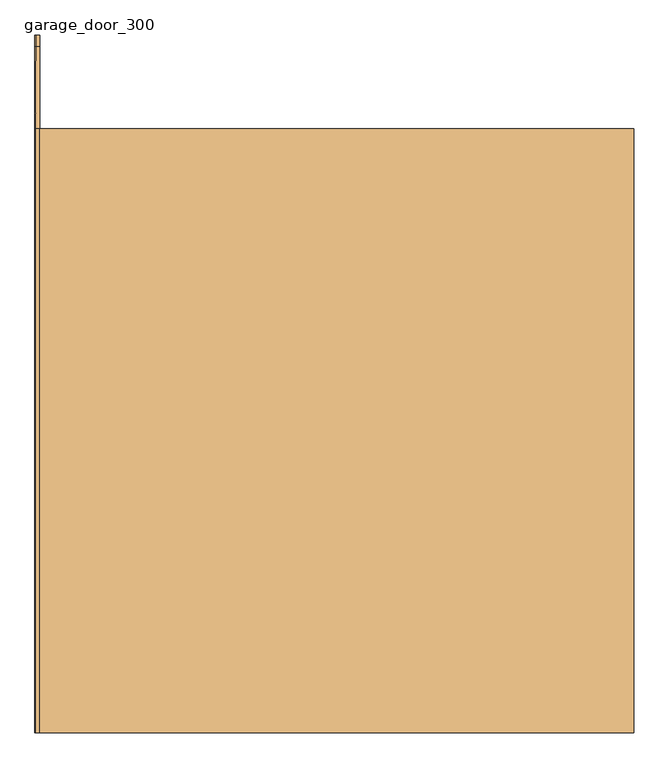
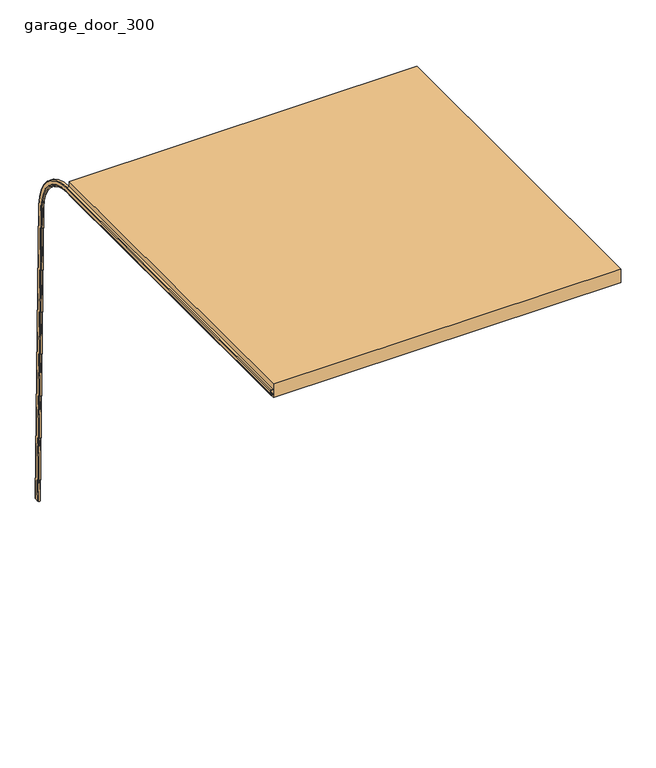
"""IFC4 building model written with IfcOpenShell, lengths in millimetres: door geometry, garage_door_300."""

from ifc_helpers import new_model, si_unit, point, frame, origin, place, context, project, spatial, polyline, circle_curve, ellipse_curve, trimmed, outline, extrude, source, transform, mapped, element, save
from ifc_brep_helpers import plane_surface, cylinder_surface, revolved_surface, advanced_brep


def garage_door_300_832a07c8(model_context):
    return source(origin(), model_context, "Body", "SolidModel", [
        advanced_brep(
        [(-1550.8, -3912.8666667, 3227.9304625), (-1550.8, -3912.8666667, 3229.4187438), (-1571.7804, -3912.8666667, 3229.4187438), (-1575.692, -3912.8666667, 3225.5071438), (-1575.692, -3912.8666667, 3194.5162317), (-1575.2943614, -3912.8666667, 3192.624436), (-1570.8346867, -3912.8666667, 3182.4845077), (-1556.9347863, -3912.8666667, 3181.5055498), (-1552.4256, -3912.8666667, 3188.7787438), (-1553.6905094, -3912.8666667, 3189.5629539), (-1558.1996956, -3912.8666667, 3182.2897599), (-1569.4723467, -3912.8666667, 3183.0836829), (-1573.9320214, -3912.8666667, 3193.2236111), (-1574.2037188, -3912.8666667, 3194.5162317), (-1574.2037188, -3912.8666667, 3225.5071438), (-1571.7804, -3912.8666667, 3227.9304625), (-1550.8, -760.4666667, 3227.9304625), (-1550.8, -329.4297366, 2805.7800156), (-1550.8, -270.9972219, 1.0441673), (-1550.8, -269.5092635, 1.0751667), (-1550.8, -327.9417783, 2805.811015), (-1550.8, -760.4666667, 3229.4187438), (-1571.7804, -760.4666667, 3229.4187438), (-1575.692, -760.4666667, 3225.5071438), (-1575.692, -331.8525296, 2805.7295403), (-1575.692, -273.4200149, 0.993692), (-1575.692, -304.4042036, 0.3481824), (-1575.692, -362.8367184, 2805.0840307), (-1575.692, -760.4666667, 3194.5162317), (-1575.2943614, -760.4666667, 3192.624436), (-1570.8346867, -760.4666667, 3182.4845077), (-1556.9347863, -760.4666667, 3181.5055498), (-1552.4256, -760.4666667, 3188.7787438), (-1553.6905094, -760.4666667, 3189.5629539), (-1558.1996956, -760.4666667, 3182.2897599), (-1569.4723467, -760.4666667, 3183.0836829), (-1573.9320214, -760.4666667, 3193.2236111), (-1574.2037188, -760.4666667, 3194.5162317), (-1574.2037188, -362.8367184, 2805.0840307), (-1574.2037188, -304.4042036, 0.3481824), (-1574.2037188, -273.4200149, 0.993692), (-1574.2037188, -331.8525296, 2805.7295403), (-1574.2037188, -760.4666667, 3225.5071438), (-1571.7804, -760.4666667, 3227.9304625), (-1571.7804, -327.9417783, 2805.811015), (-1575.2943614, -364.7281037, 2805.0446265), (-1570.8346867, -374.8658321, 2804.8334219), (-1556.9347863, -375.8445776, 2804.8130312), (-1552.4256, -368.5729615, 2804.9645246), (-1553.6905094, -367.7889216, 2804.9808589), (-1558.1996956, -375.0605377, 2804.8293655), (-1569.4723467, -374.2667869, 2804.8459021), (-1573.9320214, -364.1290585, 2805.0571067), (-1571.7804, -329.4297366, 2805.7800156), (-1571.7804, -270.9972219, 1.0441673), (-1573.9320214, -305.6965437, 0.3212584), (-1569.4723467, -315.8342721, 0.1100538), (-1558.1996956, -316.6280229, 0.0935172), (-1553.6905094, -309.3564068, 0.2450105), (-1552.4256, -310.1404467, 0.2286762), (-1556.9347863, -317.4120628, 0.0771829), (-1570.8346867, -316.4333173, 0.0975736), (-1575.2943614, -306.2955889, 0.3087782), (-1571.7804, -269.5092635, 1.0751667)],
        [
            (0, 1),
            (1, 2),
            (2, 3, circle_curve(frame((-1571.7804, -3912.8666667, 3225.5071438), z_axis=(0.0, -1.0, 0.0), x_axis=(0.0, 0.0, 1.0)), 3.9116)),
            (3, 4),
            (4, 5, circle_curve(frame((-1570.993, -3912.8666667, 3194.5162317), z_axis=(0.0, -1.0, 0.0), x_axis=(0.0, 0.0, 1.0)), 4.699)),
            (5, 6),
            (6, 7, circle_curve(frame((-1563.627, -3912.8666667, 3185.6545438), z_axis=(0.0, -1.0, 0.0), x_axis=(0.0, 0.0, 1.0)), 7.874)),
            (7, 8),
            (8, 9),
            (9, 10),
            (10, 11, circle_curve(frame((-1563.627, -3912.8666667, 3185.6545438), z_axis=(0.0, 1.0, 0.0), x_axis=(0.0, 0.0, 1.0)), 6.3857187)),
            (11, 12),
            (12, 13, circle_curve(frame((-1570.993, -3912.8666667, 3194.5162317), z_axis=(0.0, 1.0, 0.0), x_axis=(0.0, 0.0, 1.0)), 3.2107187)),
            (13, 14),
            (14, 15, circle_curve(frame((-1571.7804, -3912.8666667, 3225.5071438), z_axis=(0.0, 1.0, 0.0), x_axis=(0.0, 0.0, 1.0)), 2.4233187)),
            (15, 0),
            (0, 16),
            (16, 17, circle_curve(frame((-1550.8, -760.4666667, 2796.8), z_axis=(-1.0, 0.0, 0.0), x_axis=(0.0, 0.0, 1.0)), 431.1304625)),
            (17, 18),
            (18, 19),
            (19, 20),
            (20, 21, circle_curve(frame((-1550.8, -760.4666667, 2796.8), z_axis=(1.0, 0.0, 0.0), x_axis=(0.0, 0.0, 1.0)), 432.6187438)),
            (21, 1),
            (21, 22),
            (22, 2),
            (22, 23, circle_curve(frame((-1571.7804, -760.4666667, 3225.5071438), z_axis=(0.0, -1.0, 0.0), x_axis=(0.0, 0.0, 1.0)), 3.9116)),
            (23, 3),
            (23, 24, circle_curve(frame((-1575.692, -760.4666667, 2796.8), z_axis=(-1.0, 0.0, 0.0), x_axis=(0.0, 0.0, 1.0)), 428.7071438)),
            (24, 25),
            (25, 26),
            (26, 27),
            (27, 28, circle_curve(frame((-1575.692, -760.4666667, 2796.8), z_axis=(1.0, 0.0, 0.0), x_axis=(0.0, 0.0, 1.0)), 397.7162317)),
            (28, 4),
            (28, 29, circle_curve(frame((-1570.993, -760.4666667, 3194.5162317), z_axis=(0.0, -1.0, 0.0), x_axis=(0.0, 0.0, 1.0)), 4.699)),
            (29, 5),
            (29, 30),
            (30, 6),
            (30, 31, circle_curve(frame((-1563.627, -760.4666667, 3185.6545438), z_axis=(0.0, -1.0, 0.0), x_axis=(0.0, 0.0, 1.0)), 7.874)),
            (31, 7),
            (31, 32),
            (32, 8),
            (32, 33),
            (33, 9),
            (33, 34),
            (34, 10),
            (34, 35, circle_curve(frame((-1563.627, -760.4666667, 3185.6545438), z_axis=(0.0, 1.0, 0.0), x_axis=(0.0, 0.0, 1.0)), 6.3857187)),
            (35, 11),
            (35, 36),
            (36, 12),
            (36, 37, circle_curve(frame((-1570.993, -760.4666667, 3194.5162317), z_axis=(0.0, 1.0, 0.0), x_axis=(0.0, 0.0, 1.0)), 3.2107188)),
            (37, 13),
            (37, 38, circle_curve(frame((-1574.2037188, -760.4666667, 2796.8), z_axis=(-1.0, 0.0, 0.0), x_axis=(0.0, 0.0, 1.0)), 397.7162317)),
            (38, 39),
            (39, 40),
            (40, 41),
            (41, 42, circle_curve(frame((-1574.2037188, -760.4666667, 2796.8), z_axis=(1.0, 0.0, 0.0), x_axis=(0.0, 0.0, 1.0)), 428.7071438)),
            (42, 14),
            (42, 43, circle_curve(frame((-1571.7804, -760.4666667, 3225.5071438), z_axis=(0.0, 1.0, 0.0), x_axis=(0.0, 0.0, 1.0)), 2.4233187)),
            (43, 15),
            (43, 16),
            (44, 22, circle_curve(frame((-1571.7804, -760.4666667, 2796.8), z_axis=(1.0, 0.0, 0.0), x_axis=(0.0, 0.0, 1.0)), 432.6187438)),
            (20, 44),
            (44, 24, circle_curve(frame((-1571.7804, -331.8525296, 2805.7295403), z_axis=(0.0, -0.020828998228129707, 0.9997830528833807), x_axis=(0.0, 0.9997830528833807, 0.020828998228129707)), 3.9116)),
            (45, 29, circle_curve(frame((-1575.2943614, -760.4666667, 2796.8), z_axis=(1.0, 0.0, 0.0), x_axis=(0.0, 0.0, 1.0)), 395.824436)),
            (27, 45, circle_curve(frame((-1570.993, -362.8367184, 2805.0840307), z_axis=(0.0, -0.020828998228129267, 0.9997830528833807), x_axis=(0.0, 0.9997830528833807, 0.020828998228129267)), 4.699)),
            (46, 30, circle_curve(frame((-1570.8346867, -760.4666667, 2796.8), z_axis=(1.0, 0.0, 0.0), x_axis=(0.0, 0.0, 1.0)), 385.6845077)),
            (45, 46),
            (47, 31, circle_curve(frame((-1556.9347863, -760.4666667, 2796.8), z_axis=(1.0, 0.0, 0.0), x_axis=(0.0, 0.0, 1.0)), 384.7055498)),
            (46, 47, circle_curve(frame((-1563.627, -371.6964837, 2804.8994506), z_axis=(0.0, -0.02082899822812993, 0.9997830528833807), x_axis=(0.0, 0.9997830528833807, 0.02082899822812993)), 7.874)),
            (48, 32, circle_curve(frame((-1552.4256, -760.4666667, 2796.8), z_axis=(1.0, 0.0, 0.0), x_axis=(0.0, 0.0, 1.0)), 391.9787438)),
            (47, 48),
            (49, 33, circle_curve(frame((-1553.6905094, -760.4666667, 2796.8), z_axis=(1.0, 0.0, 0.0), x_axis=(0.0, 0.0, 1.0)), 392.7629539)),
            (48, 49),
            (50, 34, circle_curve(frame((-1558.1996956, -760.4666667, 2796.8), z_axis=(1.0, 0.0, 0.0), x_axis=(0.0, 0.0, 1.0)), 385.4897599)),
            (49, 50),
            (51, 35, circle_curve(frame((-1569.4723467, -760.4666667, 2796.8), z_axis=(1.0, 0.0, 0.0), x_axis=(0.0, 0.0, 1.0)), 386.2836829)),
            (50, 51, circle_curve(frame((-1563.627, -371.6964837, 2804.8994506), z_axis=(0.0, 0.020828998228128823, -0.9997830528833807), x_axis=(0.0, 0.9997830528833807, 0.020828998228128823)), 6.3857188)),
            (52, 36, circle_curve(frame((-1573.9320214, -760.4666667, 2796.8), z_axis=(1.0, 0.0, 0.0), x_axis=(0.0, 0.0, 1.0)), 396.4236111)),
            (51, 52),
            (52, 38, circle_curve(frame((-1570.993, -362.8367184, 2805.0840307), z_axis=(0.0, 0.02082899822812993, -0.9997830528833807), x_axis=(0.0, 0.9997830528833807, 0.02082899822812993)), 3.2107187)),
            (53, 43, circle_curve(frame((-1571.7804, -760.4666667, 2796.8), z_axis=(1.0, 0.0, 0.0), x_axis=(0.0, 0.0, 1.0)), 431.1304625)),
            (41, 53, circle_curve(frame((-1571.7804, -331.8525296, 2805.7295403), z_axis=(0.0, 0.020828998228128823, -0.9997830528833807), x_axis=(0.0, 0.9997830528833807, 0.020828998228128823)), 2.4233188)),
            (53, 17),
            (18, 54),
            (54, 40, circle_curve(frame((-1571.7804, -273.4200149, 0.993692), z_axis=(0.0, -0.020828998228126682, 0.9997830528833807), x_axis=(0.0, 0.9997830528833807, 0.020828998228126682)), 2.4233187)),
            (39, 55, circle_curve(frame((-1570.993, -304.4042036, 0.3481824), z_axis=(0.0, -0.020828998228126682, 0.9997830528833807), x_axis=(0.0, 0.9997830528833807, 0.020828998228126682)), 3.2107187)),
            (55, 56),
            (56, 57, circle_curve(frame((-1563.627, -313.263969, 0.1636023), z_axis=(0.0, -0.020828998228126682, 0.9997830528833807), x_axis=(0.0, 0.9997830528833807, 0.020828998228126682)), 6.3857187)),
            (57, 58),
            (58, 59),
            (59, 60),
            (60, 61, circle_curve(frame((-1563.627, -313.263969, 0.1636023), z_axis=(0.0, 0.020828998228126682, -0.9997830528833807), x_axis=(0.0, 0.9997830528833807, 0.020828998228126682)), 7.874)),
            (61, 62),
            (62, 26, circle_curve(frame((-1570.993, -304.4042036, 0.3481824), z_axis=(0.0, 0.020828998228126682, -0.9997830528833807), x_axis=(0.0, 0.9997830528833807, 0.020828998228126682)), 4.699)),
            (25, 63, circle_curve(frame((-1571.7804, -273.4200149, 0.993692), z_axis=(0.0, 0.020828998228126682, -0.9997830528833807), x_axis=(0.0, 0.9997830528833807, 0.020828998228126682)), 3.9116)),
            (63, 19),
            (63, 44),
            (62, 45),
            (61, 46),
            (60, 47),
            (59, 48),
            (58, 49),
            (57, 50),
            (56, 51),
            (55, 52),
            (54, 53),
        ],
        [
            plane_surface(frame((0.0, -3912.8666667, 3177.8), z_axis=(0.0, -1.0, 0.0), x_axis=(-1.0, 0.0, 0.0))),
            plane_surface(frame((-1550.8, -3912.8666667, 3227.9304625), z_axis=(1.0, 0.0, 0.0), x_axis=(0.0, 1.0, 0.0))),
            plane_surface(frame((-1550.8, -3912.8666667, 3229.4187438), z_axis=(0.0, 0.0, 1.0), x_axis=(0.0, 1.0, 0.0))),
            cylinder_surface(frame((-1571.7804, -3912.8666667, 3225.5071438), z_axis=(0.0, -1.0, 0.0), x_axis=(0.0, 0.0, 1.0)), 3.9116),
            plane_surface(frame((-1575.692, -3912.8666667, 3225.5071438), z_axis=(-1.0, 0.0, 0.0), x_axis=(0.0, 1.0, 0.0))),
            cylinder_surface(frame((-1570.993, -3912.8666667, 3194.5162317), z_axis=(0.0, -1.0, 0.0), x_axis=(0.0, 0.0, 1.0)), 4.699),
            plane_surface(frame((-1575.2943614, -3912.8666667, 3192.624436), z_axis=(-0.9153780402517685, 0.0, -0.4025953842567396), x_axis=(0.0, 1.0, 0.0))),
            cylinder_surface(frame((-1563.627, -3912.8666667, 3185.6545438), z_axis=(0.0, -1.0, 0.0), x_axis=(0.0, 0.0, 1.0)), 7.874),
            plane_surface(frame((-1556.9347863, -3912.8666667, 3181.5055498), z_axis=(0.8499128454701323, 0.0, -0.5269232914807079), x_axis=(0.0, 1.0, 0.0))),
            plane_surface(frame((-1552.4256, -3912.8666667, 3188.7787438), z_axis=(0.5269232914808464, 0.0, 0.8499128454700464), x_axis=(0.0, 1.0, 0.0))),
            plane_surface(frame((-1553.6905094, -3912.8666667, 3189.5629539), z_axis=(-0.8499128454701323, 0.0, 0.5269232914807079), x_axis=(0.0, 1.0, 0.0))),
            revolved_surface(polyline([(-1563.627, -760.4666667000001, 3192.0402626), (-1563.627, -3912.8666667, 3192.0402626)]), (-1563.627, -3912.8666667, 3185.6545438), (0.0, 1.0, 0.0)),
            plane_surface(frame((-1569.4723467, -3912.8666667, 3183.0836829), z_axis=(0.9153780402517612, 0.0, 0.4025953842567562), x_axis=(0.0, 1.0, 0.0))),
            revolved_surface(polyline([(-1570.993, -760.4666667000001, 3197.7269504), (-1570.993, -3912.8666667, 3197.7269504)]), (-1570.993, -3912.8666667, 3194.5162317), (0.0, 1.0, 0.0)),
            plane_surface(frame((-1574.2037188, -3912.8666667, 3194.5162317), z_axis=(1.0, 0.0, 0.0), x_axis=(0.0, 1.0, 0.0))),
            revolved_surface(polyline([(-1571.7804, -760.4666667000001, 3227.9304626), (-1571.7804, -3912.8666667, 3227.9304626)]), (-1571.7804, -3912.8666667, 3225.5071438), (0.0, 1.0, 0.0)),
            plane_surface(frame((-1571.7804, -3912.8666667, 3227.9304625), z_axis=(0.0, 0.0, -1.0), x_axis=(0.0, 1.0, 0.0))),
            cylinder_surface(frame((0.0, -760.4666667, 2796.8), z_axis=(-1.0, 0.0, 0.0), x_axis=(0.0, 0.0, 1.0)), 432.6187438),
            revolved_surface(trimmed(ellipse_curve(frame((-1571.7804, -760.4666667, 3225.5071438), z_axis=(0.0, -1.0, 0.0), x_axis=(0.0, 0.0, 1.0)), 3.9116, 3.9116), [point((-1571.7804, -760.4666667, 3229.4187438))], [point((-1575.692, -760.4666667, 3225.5071438))], True, "CARTESIAN"), (0.0, -760.4666667, 2796.8), (-1.0, 0.0, 0.0)),
            revolved_surface(trimmed(ellipse_curve(frame((-1570.993, -760.4666667, 3194.5162317), z_axis=(0.0, -1.0, 0.0), x_axis=(0.0, 0.0, 1.0)), 4.699, 4.699), [point((-1575.692, -760.4666667, 3194.5162317))], [point((-1575.2943614, -760.4666667, 3192.624436))], True, "CARTESIAN"), (0.0, -760.4666667, 2796.8), (-1.0, 0.0, 0.0)),
            revolved_surface(polyline([(-1575.2943614, -760.4666667, 3192.624436), (-1570.8346867, -760.4666667, 3182.4845077)]), (0.0, -760.4666667, 2796.8), (-1.0, 0.0, 0.0)),
            revolved_surface(trimmed(ellipse_curve(frame((-1563.627, -760.4666667, 3185.6545438), z_axis=(0.0, -1.0, 0.0), x_axis=(0.0, 0.0, 1.0)), 7.874, 7.874), [point((-1570.8346867, -760.4666667, 3182.4845077))], [point((-1556.9347863, -760.4666667, 3181.5055498))], True, "CARTESIAN"), (0.0, -760.4666667, 2796.8), (-1.0, 0.0, 0.0)),
            revolved_surface(polyline([(-1556.9347863, -760.4666667, 3181.5055498), (-1552.4256, -760.4666667, 3188.7787438)]), (0.0, -760.4666667, 2796.8), (-1.0, 0.0, 0.0)),
            revolved_surface(polyline([(-1552.4256, -760.4666667, 3188.7787438), (-1553.6905094, -760.4666667, 3189.5629539)]), (0.0, -760.4666667, 2796.8), (-1.0, 0.0, 0.0)),
            revolved_surface(polyline([(-1553.6905094, -760.4666667, 3189.5629539), (-1558.1996956, -760.4666667, 3182.2897599)]), (0.0, -760.4666667, 2796.8), (-1.0, 0.0, 0.0)),
            revolved_surface(trimmed(ellipse_curve(frame((-1563.627, -760.4666667, 3185.6545438), z_axis=(0.0, 1.0, 0.0), x_axis=(0.0, 0.0, 1.0)), 6.3857188, 6.3857188), [point((-1558.1996956, -760.4666667, 3182.2897599))], [point((-1569.4723467, -760.4666667, 3183.0836829))], True, "CARTESIAN"), (0.0, -760.4666667, 2796.8), (-1.0, 0.0, 0.0)),
            revolved_surface(polyline([(-1569.4723467, -760.4666667, 3183.0836829), (-1573.9320214, -760.4666667, 3193.2236111)]), (0.0, -760.4666667, 2796.8), (-1.0, 0.0, 0.0)),
            revolved_surface(trimmed(ellipse_curve(frame((-1570.993, -760.4666667, 3194.5162317), z_axis=(0.0, 1.0, 0.0), x_axis=(0.0, 0.0, 1.0)), 3.2107187, 3.2107187), [point((-1573.9320214, -760.4666667, 3193.2236111))], [point((-1574.2037188, -760.4666667, 3194.5162317))], True, "CARTESIAN"), (0.0, -760.4666667, 2796.8), (-1.0, 0.0, 0.0)),
            revolved_surface(trimmed(ellipse_curve(frame((-1571.7804, -760.4666667, 3225.5071438), z_axis=(0.0, 1.0, 0.0), x_axis=(0.0, 0.0, 1.0)), 2.4233188, 2.4233188), [point((-1574.2037188, -760.4666667, 3225.5071438))], [point((-1571.7804, -760.4666667, 3227.9304625))], True, "CARTESIAN"), (0.0, -760.4666667, 2796.8), (-1.0, 0.0, 0.0)),
            revolved_surface(polyline([(-1571.7804, -760.4666667, 3227.9304625000004), (-1550.8, -760.4666667, 3227.9304625000004)]), (0.0, -760.4666667, 2796.8), (-1.0, 0.0, 0.0)),
            plane_surface(frame((0.0, -321.1168087, 0.0), z_axis=(0.0, 0.020828998228126647, -0.9997830528833807), x_axis=(-1.0, 0.0, 0.0))),
            plane_surface(frame((-1550.8, -327.9417783, 2805.811015), z_axis=(0.0, 0.9997830528833807, 0.020828998228126692), x_axis=(0.0, 0.020828998228126692, -0.9997830528833807))),
            cylinder_surface(frame((-1571.7804, -331.8525296, 2805.7295403), z_axis=(0.0, -0.020828998228126682, 0.9997830528833807), x_axis=(0.0, 0.9997830528833807, 0.020828998228126682)), 3.9116),
            cylinder_surface(frame((-1570.993, -362.8367184, 2805.0840307), z_axis=(0.0, -0.020828998228126682, 0.9997830528833807), x_axis=(0.0, 0.9997830528833807, 0.020828998228126682)), 4.699),
            plane_surface(frame((-1575.2943614, -364.7281037, 2805.0446265), z_axis=(-0.9153780402517704, -0.40250804234895665, -0.008385658545335488), x_axis=(0.0, 0.020828998228126595, -0.9997830528833807))),
            cylinder_surface(frame((-1563.627, -371.6964837, 2804.8994506), z_axis=(0.0, -0.020828998228126682, 0.9997830528833807), x_axis=(0.0, 0.9997830528833807, 0.020828998228126682)), 7.874),
            plane_surface(frame((-1556.9347863, -375.8445776, 2804.8130312), z_axis=(0.8499128454701298, -0.5268089769919455, -0.01097528430461042), x_axis=(0.0, 0.02082899822812667, -0.9997830528833807))),
            plane_surface(frame((-1552.4256, -368.5729615, 2804.9645246), z_axis=(0.5269232914808503, 0.8497284593288416, 0.017702833152357645), x_axis=(0.0, 0.02082899822812667, -0.9997830528833807))),
            plane_surface(frame((-1553.6905094, -367.7889216, 2804.9808589), z_axis=(-0.8499128454701298, 0.5268089769919455, 0.010975284304610432), x_axis=(0.0, 0.020828998228126696, -0.9997830528833807))),
            revolved_surface(polyline([(-1563.627, -306.8796354821951, 0.2966103831590772), (-1563.627, -365.3121502632812, 2805.0324587255705)]), (-1563.627, -371.6964837, 2804.8994506), (0.0, 0.020828998228126682, -0.9997830528833807)),
            plane_surface(frame((-1569.4723467, -374.2667869, 2804.8459021), z_axis=(0.9153780402517631, 0.40250804234897325, 0.008385658545335864), x_axis=(0.0, 0.02082899822812667, -0.9997830528833807))),
            revolved_surface(polyline([(-1570.993, -301.1941814757602, 0.415058444440092), (-1570.993, -359.6266962561642, 2805.1509067541133)]), (-1570.993, -362.8367184, 2805.0840307), (0.0, 0.020828998228126682, -0.9997830528833807)),
            revolved_surface(polyline([(-1571.7804, -270.99722175182586, 1.0441673030868515), (-1571.7804, -329.4297365320263, 2805.780015602991)]), (-1571.7804, -331.8525296, 2805.7295403), (0.0, 0.020828998228126682, -0.9997830528833807)),
            plane_surface(frame((-1571.7804, -329.4297366, 2805.7800156), z_axis=(0.0, -0.9997830528833807, -0.02082899822812667), x_axis=(0.0, 0.02082899822812667, -0.9997830528833807))),
        ],
        [
            (0, [[1, 2, 3, 4, 5, 6, 7, 8, 9, 10, 11, 12, 13, 14, 15, 16]]),
            (1, [[-1, 17, 18, 19, 20, 21, 22, 23]]),
            (2, [[-2, -23, 24, 25]]),
            (3, [[-3, -25, 26, 27]]),
            (4, [[-4, -27, 28, 29, 30, 31, 32, 33]]),
            (5, [[-5, -33, 34, 35]]),
            (6, [[-6, -35, 36, 37]]),
            (7, [[-7, -37, 38, 39]]),
            (8, [[-8, -39, 40, 41]]),
            (9, [[-9, -41, 42, 43]]),
            (10, [[-10, -43, 44, 45]]),
            (11, [[-11, -45, 46, 47]]),
            (12, [[-12, -47, 48, 49]]),
            (13, [[-13, -49, 50, 51]]),
            (14, [[-14, -51, 52, 53, 54, 55, 56, 57]]),
            (15, [[-15, -57, 58, 59]]),
            (16, [[-16, -59, 60, -17]]),
            (17, [[61, -24, -22, 62]]),
            (18, [[-28, -26, -61, 63]]),
            (19, [[64, -34, -32, 65]]),
            (20, [[66, -36, -64, 67]]),
            (21, [[68, -38, -66, 69]]),
            (22, [[70, -40, -68, 71]]),
            (23, [[72, -42, -70, 73]]),
            (24, [[74, -44, -72, 75]]),
            (25, [[76, -46, -74, 77]]),
            (26, [[78, -48, -76, 79]]),
            (27, [[-52, -50, -78, 80]]),
            (28, [[81, -58, -56, 82]]),
            (29, [[-18, -60, -81, 83]]),
            (30, [[84, 85, -54, 86, 87, 88, 89, 90, 91, 92, 93, 94, -30, 95, 96, -20]]),
            (31, [[-62, -21, -96, 97]]),
            (32, [[-63, -97, -95, -29]]),
            (33, [[-65, -31, -94, 98]]),
            (34, [[-67, -98, -93, 99]]),
            (35, [[-69, -99, -92, 100]]),
            (36, [[-71, -100, -91, 101]]),
            (37, [[-73, -101, -90, 102]]),
            (38, [[-75, -102, -89, 103]]),
            (39, [[-77, -103, -88, 104]]),
            (40, [[-79, -104, -87, 105]]),
            (41, [[-80, -105, -86, -53]]),
            (42, [[-82, -55, -85, 106]]),
            (43, [[-83, -106, -84, -19]]),
        ],
    ),
        extrude(outline(polyline([(1550.8, -760.4666667), (1550.8, -3912.8666667), (-1550.8, -3912.8666667), (-1550.8, -760.4666667), (1550.8, -760.4666667)])), frame((0.0, 0.0, 3152.4), z_axis=(0.0, 0.0, 1.0), x_axis=(1.0, 0.0, 0.0)), (0.0, 0.0, 1.0), 127.0),
    ])


if __name__ == "__main__":
    model = new_model("IFC4")
    model_context = context("Model", 3, world=origin())
    ifc_project = project(units=[si_unit("LENGTHUNIT", "METRE", prefix="MILLI")], contexts=[model_context])
    site = spatial("IfcSite", under=ifc_project)
    building = spatial("IfcBuilding", under=site)
    placement = place(None, origin())
    garage_door_300_shape = garage_door_300_832a07c8(model_context)
    element("IfcDoor", 1, ObjectType="garage_door_300", at=placement, inside=building, context=model_context, shape_type="MappedRepresentation", body=[
        mapped(garage_door_300_shape, transform((0.0, 0.0, 0.0), x_axis=(1.0, 0.0, 0.0), y_axis=(0.0, 1.0, 0.0), z_axis=(0.0, 0.0, 1.0))),
    ])
    save(model, "model.ifc")
